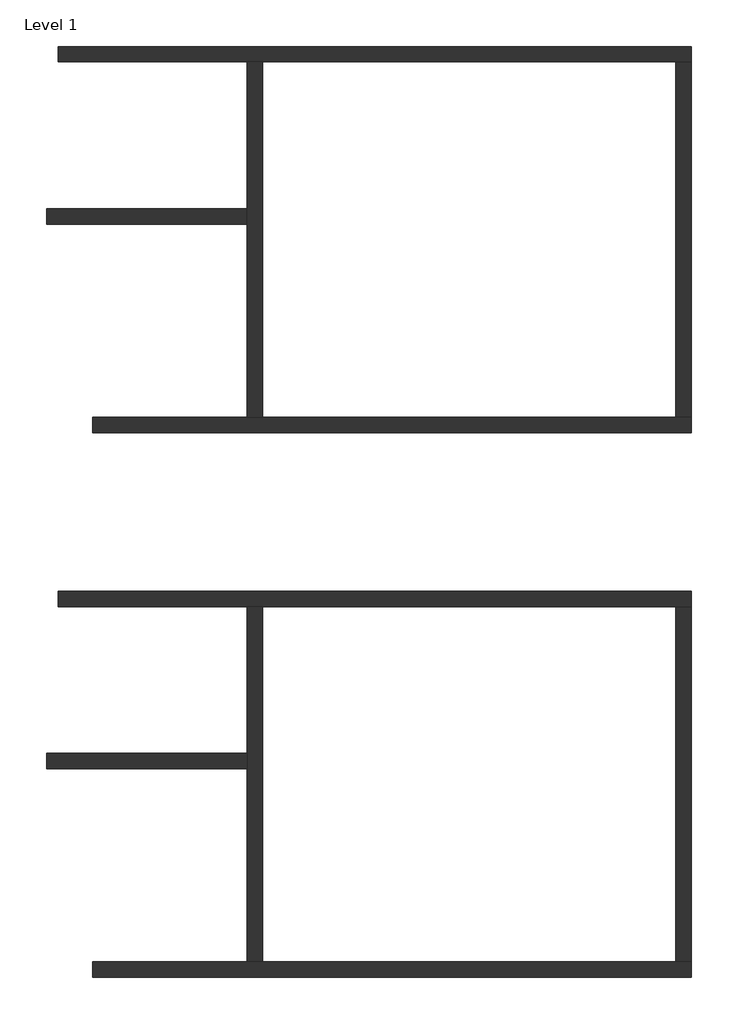
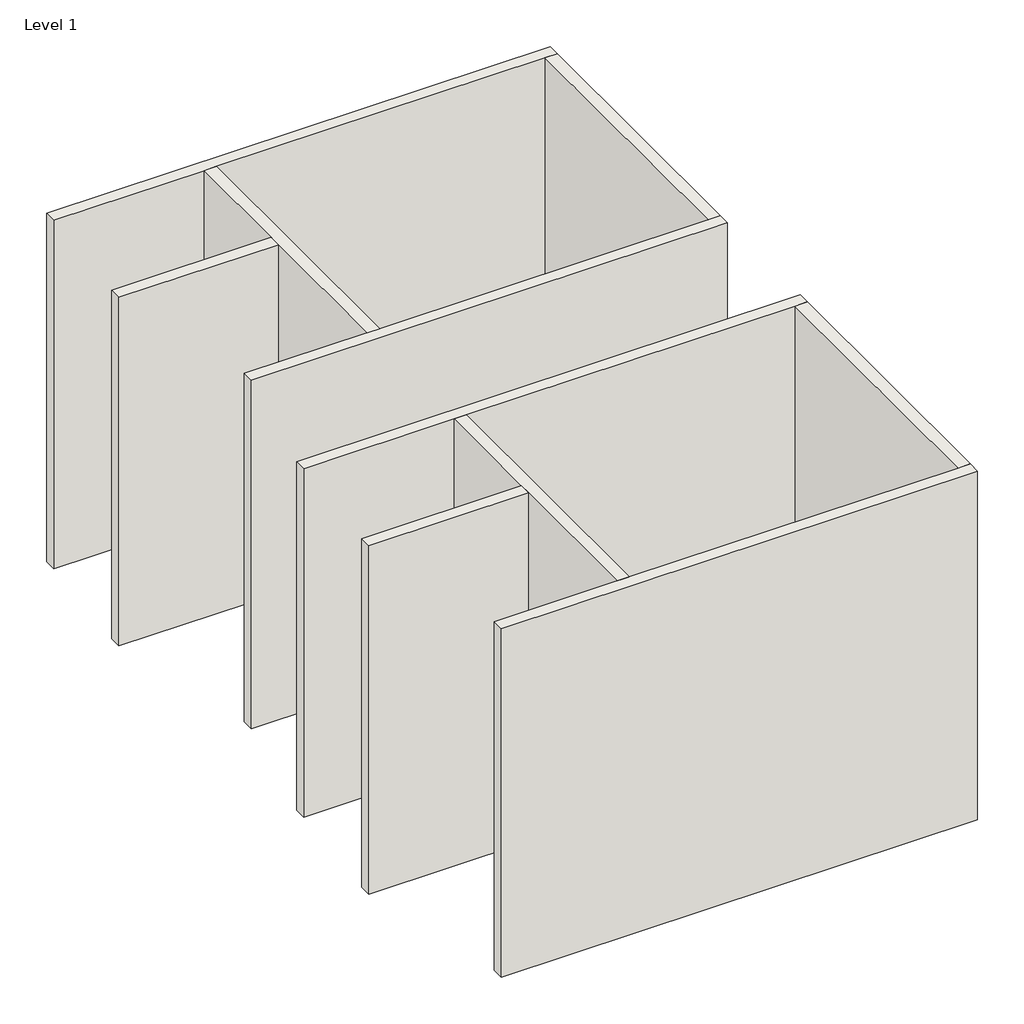
# One storey: 10 walls.
"""IFC4 building model written with IfcOpenShell, lengths in millimetres."""

from ifc_helpers import new_model, si_unit, origin, origin_with_axes, place, context, project, spatial, polyline, outline, extrude, faceted_brep, element, save

model = new_model("IFC4")

# Units and contexts
model_context = context("Model", 3, world=origin())
ifc_project = project(units=[si_unit("LENGTHUNIT", "METRE", prefix="MILLI")], contexts=[model_context])

# Site, building, storey
site = spatial("IfcSite", under=ifc_project)
building = spatial("IfcBuilding", under=site)
storey = spatial("IfcBuildingStorey", under=building, Name="Level 1", Elevation=0.0)

# Walls
placement = place(None, origin())
element("IfcWall", 1, ObjectType="Generic - 8\"", at=placement, inside=storey, context=model_context, shape_type="Brep", body=[
    faceted_brep([(-5516.0897358, 3003.2746934, 0.0), (-5516.0897358, 1072.8746934, 0.0), (-5516.0897358, 869.6746934, 0.0), (-5516.0897358, -1670.3253066, 0.0), (-5516.0897358, -1670.3253066, 6096.0), (-5516.0897358, 869.6746934, 6096.0), (-5516.0897358, 1072.8746934, 6096.0), (-5516.0897358, 3003.2746934, 6096.0), (-5312.8897358, 3003.2746934, 0.0), (-5312.8897358, 3003.2746934, 6096.0), (-5312.8897358, -1670.3253066, 6096.0), (-5312.8897358, -1670.3253066, 0.0)], [[[0, 1, 2, 3, 4, 5, 6, 7]], [[8, 9, 10, 11]], [[3, 2, 1, 0, 8, 11]], [[7, 6, 5, 4, 10, 9]], [[0, 7, 9, 8]], [[4, 3, 11, 10]]]),
])
element("IfcWall", 2, ObjectType="Generic - 8\"", at=placement, inside=storey, context=model_context, shape_type="Brep", body=[
    faceted_brep([(-7548.0897358, -1873.5253066, 0.0), (325.9102642, -1873.5253066, 0.0), (325.9102642, -1873.5253066, 6096.0), (-7548.0897358, -1873.5253066, 6096.0), (-7548.0897358, -1670.3253066, 0.0), (-7548.0897358, -1670.3253066, 6096.0), (-5516.0897358, -1670.3253066, 6096.0), (-5312.8897358, -1670.3253066, 6096.0), (122.7102642, -1670.3253066, 6096.0), (325.9102642, -1670.3253066, 6096.0), (325.9102642, -1670.3253066, 0.0), (122.7102642, -1670.3253066, 0.0), (-5312.8897358, -1670.3253066, 0.0), (-5516.0897358, -1670.3253066, 0.0)], [[[0, 1, 2, 3]], [[4, 5, 6, 7, 8, 9, 10, 11, 12, 13]], [[1, 0, 4, 13, 12, 11, 10]], [[3, 2, 9, 8, 7, 6, 5]], [[0, 3, 5, 4]], [[2, 1, 10, 9]]]),
])
element("IfcWall", 3, ObjectType="Generic - 8\"", at=placement, inside=storey, context=model_context, shape_type="Brep", body=[
    faceted_brep([(-8005.2897358, 3003.2746934, 0.0), (-5516.0897358, 3003.2746934, 0.0), (-5312.8897358, 3003.2746934, 0.0), (122.7102642, 3003.2746934, 0.0), (325.9102642, 3003.2746934, 0.0), (325.9102642, 3003.2746934, 6096.0), (122.7102642, 3003.2746934, 6096.0), (-5312.8897358, 3003.2746934, 6096.0), (-5516.0897358, 3003.2746934, 6096.0), (-8005.2897358, 3003.2746934, 6096.0), (-8005.2897358, 3206.4746934, 0.0), (-8005.2897358, 3206.4746934, 6096.0), (325.9102642, 3206.4746934, 6096.0), (325.9102642, 3206.4746934, 0.0)], [[[0, 1, 2, 3, 4, 5, 6, 7, 8, 9]], [[10, 11, 12, 13]], [[4, 3, 2, 1, 0, 10, 13]], [[9, 8, 7, 6, 5, 12, 11]], [[0, 9, 11, 10]], [[5, 4, 13, 12]]]),
])
element("IfcWall", 4, ObjectType="Generic - 8\"", at=placement, inside=storey, context=model_context, shape_type="SweptSolid", body=[
    extrude(outline(polyline([(-8157.6897358, 1072.8746934), (-5516.0897358, 1072.8746934), (-5516.0897358, 869.6746934), (-8157.6897358, 869.6746934), (-8157.6897358, 1072.8746934)])), origin_with_axes(), (0.0, 0.0, 1.0), 6096.0),
])
element("IfcWall", 5, ObjectType="Generic - 8\"", at=placement, inside=storey, context=model_context, shape_type="SweptSolid", body=[
    extrude(outline(polyline([(325.9102642, 3003.2746934), (325.9102642, -1670.3253066), (122.7102642, -1670.3253066), (122.7102642, 3003.2746934), (325.9102642, 3003.2746934)])), origin_with_axes(), (0.0, 0.0, 1.0), 6096.0),
])
element("IfcWall", 6, ObjectType="Generic - 8\"", at=placement, inside=storey, context=model_context, shape_type="Brep", body=[
    faceted_brep([(-5516.0897358, 10166.0746934, 0.0), (-5516.0897358, 8235.6746934, 0.0), (-5516.0897358, 8032.4746934, 0.0), (-5516.0897358, 5492.4746934, 0.0), (-5516.0897358, 5492.4746934, 6096.0), (-5516.0897358, 8032.4746934, 6096.0), (-5516.0897358, 8235.6746934, 6096.0), (-5516.0897358, 10166.0746934, 6096.0), (-5312.8897358, 10166.0746934, 0.0), (-5312.8897358, 10166.0746934, 6096.0), (-5312.8897358, 5492.4746934, 6096.0), (-5312.8897358, 5492.4746934, 0.0)], [[[0, 1, 2, 3, 4, 5, 6, 7]], [[8, 9, 10, 11]], [[3, 2, 1, 0, 8, 11]], [[7, 6, 5, 4, 10, 9]], [[0, 7, 9, 8]], [[4, 3, 11, 10]]]),
])
element("IfcWall", 7, ObjectType="Generic - 8\"", at=placement, inside=storey, context=model_context, shape_type="Brep", body=[
    faceted_brep([(-7548.0897358, 5289.2746934, 0.0), (325.9102642, 5289.2746934, 0.0), (325.9102642, 5289.2746934, 6096.0), (-7548.0897358, 5289.2746934, 6096.0), (-7548.0897358, 5492.4746934, 0.0), (-7548.0897358, 5492.4746934, 6096.0), (-5516.0897358, 5492.4746934, 6096.0), (-5312.8897358, 5492.4746934, 6096.0), (122.7102642, 5492.4746934, 6096.0), (325.9102642, 5492.4746934, 6096.0), (325.9102642, 5492.4746934, 0.0), (122.7102642, 5492.4746934, 0.0), (-5312.8897358, 5492.4746934, 0.0), (-5516.0897358, 5492.4746934, 0.0)], [[[0, 1, 2, 3]], [[4, 5, 6, 7, 8, 9, 10, 11, 12, 13]], [[1, 0, 4, 13, 12, 11, 10]], [[3, 2, 9, 8, 7, 6, 5]], [[0, 3, 5, 4]], [[2, 1, 10, 9]]]),
])
element("IfcWall", 8, ObjectType="Generic - 8\"", at=placement, inside=storey, context=model_context, shape_type="Brep", body=[
    faceted_brep([(-8005.2897358, 10166.0746934, 0.0), (-5516.0897358, 10166.0746934, 0.0), (-5312.8897358, 10166.0746934, 0.0), (122.7102642, 10166.0746934, 0.0), (325.9102642, 10166.0746934, 0.0), (325.9102642, 10166.0746934, 6096.0), (122.7102642, 10166.0746934, 6096.0), (-5312.8897358, 10166.0746934, 6096.0), (-5516.0897358, 10166.0746934, 6096.0), (-8005.2897358, 10166.0746934, 6096.0), (-8005.2897358, 10369.2746934, 0.0), (-8005.2897358, 10369.2746934, 6096.0), (325.9102642, 10369.2746934, 6096.0), (325.9102642, 10369.2746934, 0.0)], [[[0, 1, 2, 3, 4, 5, 6, 7, 8, 9]], [[10, 11, 12, 13]], [[4, 3, 2, 1, 0, 10, 13]], [[9, 8, 7, 6, 5, 12, 11]], [[0, 9, 11, 10]], [[5, 4, 13, 12]]]),
])
element("IfcWall", 9, ObjectType="Generic - 8\"", at=placement, inside=storey, context=model_context, shape_type="SweptSolid", body=[
    extrude(outline(polyline([(-8157.6897358, 8235.6746934), (-5516.0897358, 8235.6746934), (-5516.0897358, 8032.4746934), (-8157.6897358, 8032.4746934), (-8157.6897358, 8235.6746934)])), origin_with_axes(), (0.0, 0.0, 1.0), 6096.0),
])
element("IfcWall", 10, ObjectType="Generic - 8\"", at=placement, inside=storey, context=model_context, shape_type="SweptSolid", body=[
    extrude(outline(polyline([(325.9102642, 10166.0746934), (325.9102642, 5492.4746934), (122.7102642, 5492.4746934), (122.7102642, 10166.0746934), (325.9102642, 10166.0746934)])), origin_with_axes(), (0.0, 0.0, 1.0), 6096.0),
])

save(model, "model.ifc")
